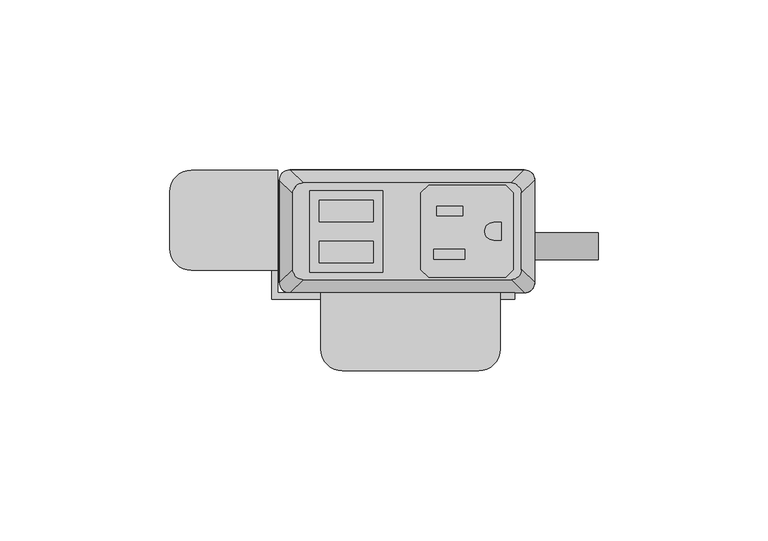
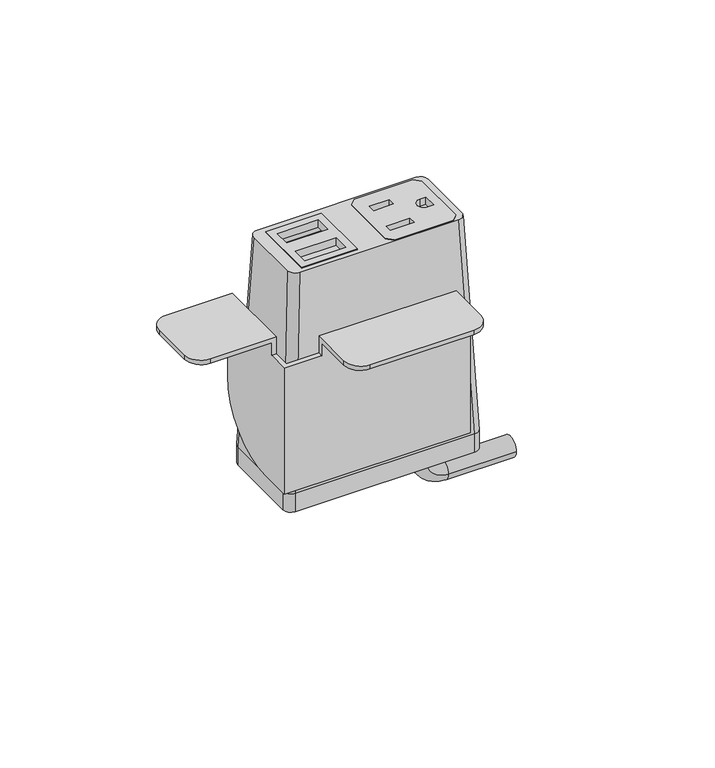
"""IFC4 building model written with IfcOpenShell, lengths in millimetres: furniture geometry."""

from ifc_helpers import new_model, si_unit, point, frame, frame_2d, origin, place, context, project, spatial, polyline, circle_curve, ellipse_curve, trimmed, segment, composite_curve, outline, extrude, source, transform, mapped, element, save
from ifc_brep_helpers import plane_surface, cylinder_surface, revolved_surface, extruded_surface, advanced_brep


def furniture_6e36357f(model_context):
    return source(origin(), model_context, "Body", "SolidModel", [
        extrude(outline(polyline([(28.9877496, 31.6867491), (31.2737497, 29.400774), (31.2737497, 6.7950272), (28.9877496, 4.5090526), (6.3817502, 4.5090526), (4.0957501, 6.7950272), (4.0957501, 29.400774), (6.3817502, 31.6867491), (28.9877496, 31.6867491)]), holes=[polyline([(16.3893498, 25.5262103), (8.71855, 25.5262103), (8.71855, 22.6814439), (16.3893498, 22.6814439), (16.3893498, 25.5262103)]), polyline([(17.0497496, 12.7755533), (7.8041498, 12.7755533), (7.8041498, 9.9307858), (17.0497496, 9.9307858), (17.0497496, 12.7755533)]), composite_curve([segment(polyline([(27.7177508, 20.7140722), (25.4427305, 20.7140722)]), True, "CONTINUOUS"), segment(trimmed(circle_curve(frame_2d((25.4427305, 18.0979012)), 2.616171), [point((25.4427305, 20.7140722))], [point((25.4427305, 15.4817301))], True, "CARTESIAN"), True, "CONTINUOUS"), segment(polyline([(25.4427305, 15.4817301), (27.7177508, 15.4817301), (27.7177508, 20.7140722)]), True, "CONTINUOUS")], self_intersect=False)]), frame((0.0, 0.0, 749.5751365), z_axis=(0.0, 0.0, 1.0), x_axis=(1.0, 0.0, 0.0)), (0.0, 0.0, 1.0), 2.9555086),
        extrude(outline(polyline([(-28.6985163, 30.0736276), (-7.143469, 30.0736276), (-7.143469, 6.0162042), (-28.6985163, 6.0162042), (-28.6985163, 30.0736276)]), holes=[polyline([(-9.9834931, 27.2024139), (-25.8584916, 27.2025547), (-25.8584916, 20.8524858), (-9.9834931, 20.8524858), (-9.9834931, 27.2024139)]), polyline([(-9.9834931, 15.1725012), (-25.8584916, 15.1726408), (-25.8584916, 8.8225725), (-9.9834931, 8.8225725), (-9.9834931, 15.1725012)])]), frame((0.0, 0.0, 749.5751365), z_axis=(0.0, 0.0, 1.0), x_axis=(1.0, 0.0, 0.0)), (0.0, 0.0, 1.0), 2.9555086),
        advanced_brep(
        [(-30.6070003, 32.3219007, 752.5174623), (-33.6549997, 29.2739013, 752.5174623), (-33.6549997, 6.9219002, 752.5174623), (-30.6070003, 3.8739008, 752.5174623), (30.6070003, 3.8739008, 752.5174623), (33.6549997, 6.9219002, 752.5174623), (33.6549997, 29.2739013, 752.5174623), (30.6070003, 32.3219007, 752.5174623), (-7.143469, 30.0736276, 752.5174623), (-7.143469, 6.0162042, 752.5174623), (-28.6985163, 6.0162042, 752.5174623), (-28.6985163, 30.0736276, 752.5174623), (4.0957501, 29.400774, 752.5174623), (6.3817502, 31.6867491, 752.5174623), (28.9877496, 31.6867491, 752.5174623), (31.2737497, 29.400774, 752.5174623), (31.2737497, 6.7950272, 752.5174623), (28.9877496, 4.5090526, 752.5174623), (6.3817502, 4.5090526, 752.5174623), (4.0957501, 6.7950272, 752.5174623), (-34.5440011, 36.1954015, 666.1706434), (34.5440011, 36.1954015, 666.1706434), (37.5920005, 33.1474021, 666.1706434), (37.5920005, 3.0484002, 666.1706434), (34.5440011, 0.0004009, 666.1706434), (-34.5440011, 0.0004009, 666.1706434), (-37.5920005, 3.0484002, 666.1706434), (-37.5920005, 33.1474021, 666.1706434), (-7.143469, 30.0736276, 745.3755211), (-28.6985163, 30.0736276, 745.3755211), (-28.6985163, 6.0162042, 745.3755211), (-7.143469, 6.0162042, 745.3755211), (4.0957501, 29.400774, 745.3755211), (4.0957501, 6.7950272, 745.3755211), (6.3817502, 4.5090526, 745.3755211), (28.9877496, 4.5090526, 745.3755211), (31.2737497, 6.7950272, 745.3755211), (31.2737497, 29.400774, 745.3755211), (28.9877496, 31.6867491, 745.3755211), (6.3817502, 31.6867491, 745.3755211)],
        [
            (0, 1, circle_curve(frame((-30.6070003, 29.2739013, 752.5174623), z_axis=(0.0, 0.0, 1.0), x_axis=(-1.0, 0.0, 0.0)), 3.0479994)),
            (1, 2),
            (2, 3, circle_curve(frame((-30.6070003, 6.9219002, 752.5174623), z_axis=(0.0, 0.0, 1.0), x_axis=(-1.0, 0.0, 0.0)), 3.0479994)),
            (3, 4),
            (4, 5, circle_curve(frame((30.6070003, 6.9219002, 752.5174623), z_axis=(0.0, 0.0, 1.0), x_axis=(-1.0, 0.0, 0.0)), 3.0479994)),
            (5, 6),
            (6, 7, circle_curve(frame((30.6070003, 29.2739013, 752.5174623), z_axis=(0.0, 0.0, 1.0), x_axis=(-1.0, 0.0, 0.0)), 3.0479994)),
            (7, 0),
            (8, 9),
            (9, 10),
            (10, 11),
            (11, 8),
            (12, 13),
            (13, 14),
            (14, 15),
            (15, 16),
            (16, 17),
            (17, 18),
            (18, 19),
            (19, 12),
            (20, 21),
            (21, 22, circle_curve(frame((34.5440011, 33.1474021, 666.1706434), z_axis=(0.0, 0.0, -1.0), x_axis=(-1.0, 0.0, 0.0)), 3.0479994)),
            (22, 23),
            (23, 24, circle_curve(frame((34.5440011, 3.0484002, 666.1706434), z_axis=(0.0, 0.0, -1.0), x_axis=(-1.0, 0.0, 0.0)), 3.0479994)),
            (24, 25),
            (25, 26, circle_curve(frame((-34.5440011, 3.0484002, 666.1706434), z_axis=(0.0, 0.0, -1.0), x_axis=(-1.0, 0.0, 0.0)), 3.0479994)),
            (26, 27),
            (27, 20, circle_curve(frame((-34.5440011, 33.1474021, 666.1706434), z_axis=(0.0, 0.0, -1.0), x_axis=(-1.0, 0.0, 0.0)), 3.0479994)),
            (0, 20),
            (27, 1),
            (26, 2),
            (25, 3),
            (24, 4),
            (23, 5),
            (22, 6),
            (21, 7),
            (28, 29),
            (29, 30),
            (30, 31),
            (31, 28),
            (32, 33),
            (33, 34),
            (34, 35),
            (35, 36),
            (36, 37),
            (37, 38),
            (38, 39),
            (39, 32),
            (31, 9),
            (8, 28),
            (30, 10),
            (29, 11),
            (39, 13),
            (12, 32),
            (38, 14),
            (37, 15),
            (36, 16),
            (35, 17),
            (34, 18),
            (33, 19),
        ],
        [
            plane_surface(frame((0.0, 18.0979007, 752.5174623), z_axis=(0.0, 0.0, 1.0), x_axis=(-1.0, 0.0, 0.0))),
            plane_surface(frame((0.0, 18.0979012, 666.1706434), z_axis=(0.0, 0.0, -1.0), x_axis=(-1.0, 0.0, 0.0))),
            extruded_surface(trimmed(circle_curve(frame((-34.5440011, 33.1474021, 666.1706434), z_axis=(0.0, 0.0, 1.0), x_axis=(-1.0, 0.0, 0.0)), 3.0479994), [point((-34.5440011, 36.1954015, 666.1706434))], [point((-37.5920005, 33.1474021, 666.1706434))], True, "CARTESIAN"), (3.9370008000000034, -3.873500800000002, 86.34681890000002), 86.52327500676452),
            plane_surface(frame((-37.5920005, 18.0979012, 666.1706434), z_axis=(-0.9989621566211194, 0.0, 0.04554788292425982), x_axis=(0.0, -1.0, 0.0))),
            extruded_surface(trimmed(circle_curve(frame((-34.5440011, 3.0484002, 666.1706434), z_axis=(0.0, 0.0, 1.0), x_axis=(-1.0, 0.0, 0.0)), 3.0479994), [point((-37.5920005, 3.0484002, 666.1706434))], [point((-34.5440011, 0.0004009, 666.1706434))], True, "CARTESIAN"), (3.9370008000000034, 3.8734999999999995, 86.34681890000002), 86.52327497094987),
            plane_surface(frame((0.0, 0.0004009, 666.1706434), z_axis=(0.0, -0.9989953158490498, 0.044814717578687276), x_axis=(1.0, 0.0, 0.0))),
            extruded_surface(trimmed(circle_curve(frame((34.5440011, 3.0484002, 666.1706434), z_axis=(0.0, 0.0, 1.0), x_axis=(-1.0, 0.0, 0.0)), 3.0479994), [point((34.5440011, 0.0004009, 666.1706434))], [point((37.5920005, 3.0484002, 666.1706434))], True, "CARTESIAN"), (-3.9370008000000034, 3.8734999999999995, 86.34681890000002), 86.52327497094987),
            plane_surface(frame((37.5920005, 18.0979012, 666.1706434), z_axis=(0.9989621566211194, 0.0, 0.04554788292425977), x_axis=(0.0, 1.0, 0.0))),
            extruded_surface(trimmed(circle_curve(frame((34.5440011, 33.1474021, 666.1706434), z_axis=(0.0, 0.0, 1.0), x_axis=(-1.0, 0.0, 0.0)), 3.0479994), [point((37.5920005, 33.1474021, 666.1706434))], [point((34.5440011, 36.1954015, 666.1706434))], True, "CARTESIAN"), (-3.9370008000000034, -3.873500800000002, 86.34681890000002), 86.52327500676452),
            plane_surface(frame((0.0, 36.1954015, 666.1706434), z_axis=(0.0, 0.9989953153818162, 0.04481472799410512), x_axis=(-1.0, 0.0, 0.0))),
            plane_surface(frame((-7.143469, 30.0736276, 745.3755211), z_axis=(0.0, 0.0, 1.0), x_axis=(0.0, -1.0, 0.0))),
            plane_surface(frame((-7.143469, 30.0736276, 745.3755211), z_axis=(-1.0, 0.0, 0.0), x_axis=(0.0, 0.0, 1.0))),
            plane_surface(frame((-7.143469, 6.0162042, 745.3755211), z_axis=(0.0, 1.0, 0.0), x_axis=(0.0, 0.0, 1.0))),
            plane_surface(frame((-28.6985163, 6.0162042, 745.3755211), z_axis=(1.0, 0.0, 0.0), x_axis=(0.0, 0.0, 1.0))),
            plane_surface(frame((-28.6985163, 30.0736276, 745.3755211), z_axis=(0.0, -1.0, 0.0), x_axis=(0.0, 0.0, 1.0))),
            plane_surface(frame((4.0957501, 29.400774, 745.3755211), z_axis=(0.7071029176939239, -0.707110644658062, 0.0), x_axis=(0.0, 0.0, 1.0))),
            plane_surface(frame((6.3817502, 31.6867491, 745.3755211), z_axis=(0.0, -1.0, 0.0), x_axis=(0.0, 0.0, 1.0))),
            plane_surface(frame((28.9877496, 31.6867491, 745.3755211), z_axis=(-0.7071029176939239, -0.707110644658062, 0.0), x_axis=(0.0, 0.0, 1.0))),
            plane_surface(frame((31.2737497, 29.400774, 745.3755211), z_axis=(-1.0, 0.0, 0.0), x_axis=(0.0, 0.0, 1.0))),
            plane_surface(frame((31.2737497, 6.7950272, 745.3755211), z_axis=(-0.7071028298865373, 0.7071107324644781, 0.0), x_axis=(0.0, 0.0, 1.0))),
            plane_surface(frame((28.9877496, 4.5090526, 745.3755211), z_axis=(0.0, 1.0, 0.0), x_axis=(0.0, 0.0, 1.0))),
            plane_surface(frame((6.3817502, 4.5090526, 745.3755211), z_axis=(0.7071028298865373, 0.7071107324644781, 0.0), x_axis=(0.0, 0.0, 1.0))),
            plane_surface(frame((4.0957501, 6.7950272, 745.3755211), z_axis=(1.0, 0.0, 0.0), x_axis=(0.0, 0.0, 1.0))),
        ],
        [
            (0, [[1, 2, 3, 4, 5, 6, 7, 8], [9, 10, 11, 12], [13, 14, 15, 16, 17, 18, 19, 20]]),
            (1, [[21, 22, 23, 24, 25, 26, 27, 28]]),
            (2, [[-1, 29, -28, 30]]),
            (3, [[-2, -30, -27, 31]]),
            (4, [[-3, -31, -26, 32]]),
            (5, [[-4, -32, -25, 33]]),
            (6, [[-5, -33, -24, 34]]),
            (7, [[-6, -34, -23, 35]]),
            (8, [[-7, -35, -22, 36]]),
            (9, [[-8, -36, -21, -29]]),
            (10, [[37, 38, 39, 40]]),
            (10, [[41, 42, 43, 44, 45, 46, 47, 48]]),
            (11, [[-40, 49, -9, 50]]),
            (12, [[-39, 51, -10, -49]]),
            (13, [[-38, 52, -11, -51]]),
            (14, [[-37, -50, -12, -52]]),
            (15, [[-48, 53, -13, 54]]),
            (16, [[-47, 55, -14, -53]]),
            (17, [[-46, 56, -15, -55]]),
            (18, [[-45, 57, -16, -56]]),
            (19, [[-44, 58, -17, -57]]),
            (20, [[-43, 59, -18, -58]]),
            (21, [[-42, 60, -19, -59]]),
            (22, [[-41, -54, -20, -60]]),
        ],
    ),
        advanced_brep(
        [(21.5715504, 17.7128311, 658.6964348), (21.5715504, 9.7137856, 658.6964348), (21.5715504, 17.7128311, 653.8666821), (21.5715504, 9.7137856, 653.8666821), (30.0384415, 9.7137856, 645.399791), (30.0384415, 17.7128311, 645.399791), (56.2588798, 17.7128311, 645.399791), (56.2588798, 9.7137856, 645.399791)],
        [
            (0, 1, circle_curve(frame((21.5715504, 13.7133083, 658.6964348), z_axis=(0.0, 0.0, 1.0), x_axis=(0.0, -1.0, 0.0)), 3.9995228)),
            (1, 0, circle_curve(frame((21.5715504, 13.7133083, 658.6964348), z_axis=(0.0, 0.0, 1.0), x_axis=(0.0, -1.0, 0.0)), 3.9995228)),
            (0, 2),
            (2, 3, circle_curve(frame((21.5715504, 13.7133083, 653.8666821), z_axis=(0.0, 0.0, 1.0), x_axis=(0.0, -1.0, 0.0)), 3.9995228)),
            (3, 1),
            (3, 2, circle_curve(frame((21.5715504, 13.7133083, 653.8666821), z_axis=(0.0, 0.0, 1.0), x_axis=(0.0, -1.0, 0.0)), 3.9995228)),
            (4, 3, circle_curve(frame((30.0384415, 9.7137856, 653.8666821), z_axis=(0.0, 1.0, 0.0), x_axis=(-1.0, 0.0, 0.0)), 8.4668911)),
            (2, 5, circle_curve(frame((30.0384415, 17.7128311, 653.8666821), z_axis=(0.0, -1.0, 0.0), x_axis=(-1.0, 0.0, 0.0)), 8.4668911)),
            (5, 4, circle_curve(frame((30.0384415, 13.7133083, 645.399791), z_axis=(-1.0, 0.0, 0.0), x_axis=(0.0, -1.0, 0.0)), 3.9995228)),
            (4, 5, circle_curve(frame((30.0384415, 13.7133083, 645.399791), z_axis=(-1.0, 0.0, 0.0), x_axis=(0.0, -1.0, 0.0)), 3.9995228)),
            (6, 7, circle_curve(frame((56.2588798, 13.7133083, 645.399791), z_axis=(1.0, 0.0, 0.0), x_axis=(0.0, -1.0, 0.0)), 3.9995228)),
            (7, 6, circle_curve(frame((56.2588798, 13.7133083, 645.399791), z_axis=(1.0, 0.0, 0.0), x_axis=(0.0, -1.0, 0.0)), 3.9995228)),
            (5, 6),
            (7, 4),
        ],
        [
            plane_surface(frame((21.5715504, 0.0, 658.6964348), z_axis=(0.0, 0.0, 1.0), x_axis=(0.0, -1.0, 0.0))),
            cylinder_surface(frame((21.5715504, 13.7133083, 658.6964348), z_axis=(0.0, 0.0, 1.0), x_axis=(0.0, -1.0, 0.0)), 3.9995228),
            revolved_surface(trimmed(ellipse_curve(frame((21.5715504, 13.7133083, 653.8666821), z_axis=(0.0, 0.0, 1.0), x_axis=(0.0, -1.0, 0.0)), 3.9995228, 3.9995228), [point((21.5715504, 17.7128311, 653.8666821))], [point((21.5715504, 9.7137856, 653.8666821))], True, "CARTESIAN"), (30.0384415, 0.0, 653.8666821), (0.0, -1.0, 0.0)),
            revolved_surface(trimmed(ellipse_curve(frame((21.5715504, 13.7133083, 653.8666821), z_axis=(0.0, 0.0, 1.0), x_axis=(0.0, -1.0, 0.0)), 3.9995228, 3.9995228), [point((21.5715504, 9.7137856, 653.8666821))], [point((21.5715504, 17.7128311, 653.8666821))], True, "CARTESIAN"), (30.0384415, 0.0, 653.8666821), (0.0, -1.0, 0.0)),
            plane_surface(frame((56.2588798, 0.0, 645.399791), z_axis=(1.0, 0.0, 0.0), x_axis=(0.0, -1.0, 0.0))),
            cylinder_surface(frame((30.0384415, 13.7133083, 645.399791), z_axis=(-1.0, 0.0, 0.0), x_axis=(0.0, -1.0, 0.0)), 3.9995228),
        ],
        [
            (0, [[1, 2]]),
            (1, [[-1, 3, 4, 5]]),
            (1, [[-2, -5, 6, -3]]),
            (2, [[7, -4, 8, 9]]),
            (3, [[-8, -6, -7, 10]]),
            (4, [[11, 12]]),
            (5, [[-9, 13, -12, 14]]),
            (5, [[-10, -14, -11, -13]]),
        ],
    ),
        extrude(outline(composite_curve([segment(trimmed(circle_curve(frame_2d((34.5440011, 33.1474021)), 3.0479994), [point((34.5440011, 36.1954015))], [point((37.5920005, 33.1474021))], False, "CARTESIAN"), True, "CONTINUOUS"), segment(polyline([(37.5920005, 33.1474021), (37.5920005, 3.0484002)]), True, "CONTINUOUS"), segment(trimmed(circle_curve(frame_2d((34.5440011, 3.0484002)), 3.0479994), [point((37.5920005, 3.0484002))], [point((34.5440011, 0.0004009))], False, "CARTESIAN"), True, "CONTINUOUS"), segment(polyline([(34.5440011, 0.0004009), (-34.5440011, 0.0004009)]), True, "CONTINUOUS"), segment(trimmed(circle_curve(frame_2d((-34.5440011, 3.0484002)), 3.0479994), [point((-34.5440011, 0.0004009))], [point((-37.5920005, 3.0484002))], False, "CARTESIAN"), True, "CONTINUOUS"), segment(polyline([(-37.5920005, 3.0484002), (-37.5920005, 33.1474021)]), True, "CONTINUOUS"), segment(trimmed(circle_curve(frame_2d((-34.5440011, 33.1474021)), 3.0479994), [point((-37.5920005, 33.1474021))], [point((-34.5440011, 36.1954015))], False, "CARTESIAN"), True, "CONTINUOUS"), segment(polyline([(-34.5440011, 36.1954015), (34.5440011, 36.1954015)]), True, "CONTINUOUS")], self_intersect=False)), frame((0.0, 0.0, 658.6964348), z_axis=(0.0, 0.0, 1.0), x_axis=(1.0, 0.0, 0.0)), (0.0, 0.0, 1.0), 7.4742086),
        advanced_brep(
        [(-63.4998651, 6.6265515, 725.3224), (-69.8498653, 12.9765517, 725.3224), (-69.8498653, 29.7151512, 725.3224), (-63.4998645, 36.0651519, 725.3224), (-39.877862, 36.0651519, 725.3224), (-39.877862, 6.6265515, 725.3224), (27.4321373, -16.6144474, 725.3224), (21.0821366, -22.9644481, 725.3224), (-19.0498626, -22.9644481, 725.3224), (-25.3998622, -16.6144485, 725.3224), (-25.3998622, -1.9078486, 725.3224), (27.4321373, -1.9078486, 725.3224), (-63.4998645, 36.0651519, 727.1004), (-69.8498653, 29.7151512, 727.1004), (-69.8498653, 12.9765517, 727.1004), (-63.4998651, 6.6265515, 727.1004), (-38.0998637, 6.6265515, 727.1004), (-38.0998637, 36.0651519, 727.1004), (-25.3998622, 0.0, 727.1004), (-25.3998622, -16.6144485, 727.1004), (-19.0498626, -22.9644481, 727.1004), (21.0821366, -22.9644481, 727.1004), (27.4321373, -16.6144474, 727.1004), (27.4321373, 0.0, 727.1004), (-38.0998637, 36.0651519, 694.0803997), (-39.877862, 36.0651519, 694.0803997), (-39.877862, 6.6265515, 720.2423997), (-38.0998637, 6.6265515, 720.2423997), (-38.0998637, 0.0, 720.2423997), (-38.0998637, 0.0, 668.6804012), (-38.0998637, 10.6651534, 668.6804012), (27.4321373, -1.9078486, 720.2423997), (27.4321373, 0.0, 720.2423997), (31.7501378, 0.0, 720.2423997), (31.7501378, 0.0, 668.6804012), (-25.3998622, 0.0, 720.2423997), (-25.3998622, -1.9078486, 720.2423997), (-39.877862, 10.6651534, 668.6804012), (-39.877862, -1.9078486, 668.6804012), (-39.877862, -1.9078486, 720.2423997), (31.7501378, -1.9078486, 668.6804012), (31.7501378, -1.9078486, 720.2423997)],
        [
            (0, 1, circle_curve(frame((-63.4998651, 12.9765517, 725.3224), z_axis=(0.0, 0.0, -1.0), x_axis=(-1.0, 0.0, 0.0)), 6.3500002)),
            (1, 2),
            (2, 3, circle_curve(frame((-63.4998645, 29.7151512, 725.3224), z_axis=(0.0, 0.0, -1.0), x_axis=(-1.0, 0.0, 0.0)), 6.3500008)),
            (3, 4),
            (4, 5),
            (5, 0),
            (6, 7, circle_curve(frame((21.0821366, -16.6144474, 725.3224), z_axis=(0.0, 0.0, -1.0), x_axis=(-1.0, 0.0, 0.0)), 6.3500008)),
            (7, 8),
            (8, 9, circle_curve(frame((-19.0498626, -16.6144485, 725.3224), z_axis=(0.0, 0.0, -1.0), x_axis=(-1.0, 0.0, 0.0)), 6.3499996)),
            (9, 10),
            (10, 11),
            (11, 6),
            (12, 13, circle_curve(frame((-63.4998645, 29.7151512, 727.1004), z_axis=(0.0, 0.0, 1.0), x_axis=(-1.0, 0.0, 0.0)), 6.3500008)),
            (13, 14),
            (14, 15, circle_curve(frame((-63.4998651, 12.9765517, 727.1004), z_axis=(0.0, 0.0, 1.0), x_axis=(-1.0, 0.0, 0.0)), 6.3500002)),
            (15, 16),
            (16, 17),
            (17, 12),
            (18, 19),
            (19, 20, circle_curve(frame((-19.0498626, -16.6144485, 727.1004), z_axis=(0.0, 0.0, 1.0), x_axis=(-1.0, 0.0, 0.0)), 6.3499996)),
            (20, 21),
            (21, 22, circle_curve(frame((21.0821366, -16.6144474, 727.1004), z_axis=(0.0, 0.0, 1.0), x_axis=(-1.0, 0.0, 0.0)), 6.3500008)),
            (22, 23),
            (23, 18),
            (3, 12),
            (17, 24),
            (24, 25),
            (25, 4),
            (2, 13),
            (1, 14),
            (0, 15),
            (5, 26),
            (26, 27),
            (27, 16),
            (27, 28),
            (28, 29),
            (29, 30),
            (30, 24, circle_curve(frame((-38.0998637, 10.6651534, 694.0803997), z_axis=(1.0, 0.0, 0.0), x_axis=(0.0, -1.0, 0.0)), 25.3999985)),
            (8, 20),
            (19, 9),
            (7, 21),
            (6, 22),
            (11, 31),
            (31, 32),
            (32, 23),
            (32, 33),
            (33, 34),
            (34, 29),
            (28, 35),
            (35, 18),
            (35, 36),
            (36, 10),
            (25, 37, circle_curve(frame((-39.877862, 10.6651534, 694.0803997), z_axis=(-1.0, 0.0, 0.0), x_axis=(0.0, -1.0, 0.0)), 25.3999985)),
            (37, 38),
            (38, 39),
            (39, 26),
            (30, 37),
            (34, 40),
            (40, 38),
            (40, 41),
            (41, 31),
            (36, 39),
            (41, 33),
        ],
        [
            plane_surface(frame((-63.4998645, 36.0651519, 725.3224), z_axis=(0.0, 0.0, -1.0), x_axis=(1.0, 0.0, 0.0))),
            plane_surface(frame((-63.4998645, 36.0651519, 727.1004), z_axis=(0.0, 0.0, 1.0), x_axis=(-1.0, 0.0, 0.0))),
            plane_surface(frame((-38.0998637, 36.0651519, 727.1004), z_axis=(0.0, 1.0, 0.0), x_axis=(0.0, 0.0, -1.0))),
            cylinder_surface(frame((-63.4998645, 29.7151512, 725.3224), z_axis=(0.0, 0.0, 1.0), x_axis=(-1.0, 0.0, 0.0)), 6.3500008),
            plane_surface(frame((-69.8498653, 29.7151512, 727.1004), z_axis=(-1.0, 0.0, 0.0), x_axis=(0.0, 0.0, -1.0))),
            cylinder_surface(frame((-63.4998651, 12.9765517, 725.3224), z_axis=(0.0, 0.0, 1.0), x_axis=(-1.0, 0.0, 0.0)), 6.3500002),
            plane_surface(frame((-63.4998651, 6.6265515, 727.1004), z_axis=(0.0, -1.0, 0.0), x_axis=(0.0, 0.0, -1.0))),
            plane_surface(frame((-38.0998637, 6.6265515, 727.1004), z_axis=(1.0, 0.0, 0.0), x_axis=(0.0, 0.0, -1.0))),
            cylinder_surface(frame((-19.0498626, -16.6144485, 727.1004), z_axis=(0.0, 0.0, 1.0), x_axis=(-1.0, 0.0, 0.0)), 6.3499996),
            plane_surface(frame((-19.0498626, -22.9644481, 727.1004), z_axis=(0.0, -1.0, 0.0), x_axis=(0.0, 0.0, -1.0))),
            cylinder_surface(frame((21.0821366, -16.6144474, 727.1004), z_axis=(0.0, 0.0, 1.0), x_axis=(-1.0, 0.0, 0.0)), 6.3500008),
            plane_surface(frame((27.4321373, -16.6144474, 727.1004), z_axis=(1.0, 0.0, 0.0), x_axis=(0.0, 0.0, -1.0))),
            plane_surface(frame((27.4321373, 0.0, 727.1004), z_axis=(0.0, 1.0, 0.0), x_axis=(0.0, 0.0, -1.0))),
            plane_surface(frame((-25.3998622, 0.0, 727.1004), z_axis=(-1.0, 0.0, 0.0), x_axis=(0.0, 0.0, -1.0))),
            plane_surface(frame((-39.877862, 36.0651519, 694.0803997), z_axis=(-1.0, 0.0, 0.0), x_axis=(0.0, 0.0, -1.0))),
            cylinder_surface(frame((-38.0998637, 10.6651534, 694.0803997), z_axis=(-1.0, 0.0, 0.0), x_axis=(0.0, -1.0, 0.0)), 25.3999985),
            plane_surface(frame((-39.877862, 10.6651534, 668.6804012), z_axis=(0.0, 0.0, -1.0), x_axis=(1.0, 0.0, 0.0))),
            plane_surface(frame((-39.877862, -1.9078486, 668.6804012), z_axis=(0.0, -1.0, 0.0), x_axis=(1.0, 0.0, 0.0))),
            plane_surface(frame((-39.877862, -1.9078486, 720.2423997), z_axis=(0.0, 0.0, 1.0), x_axis=(1.0, 0.0, 0.0))),
            plane_surface(frame((31.7501378, -1.9078486, 720.2423997), z_axis=(0.0, 0.0, 1.0), x_axis=(0.0, 1.0, 0.0))),
            plane_surface(frame((31.7501378, -1.9078486, 668.6804012), z_axis=(1.0, 0.0, 0.0), x_axis=(0.0, 1.0, 0.0))),
        ],
        [
            (0, [[1, 2, 3, 4, 5, 6]]),
            (0, [[7, 8, 9, 10, 11, 12]]),
            (1, [[13, 14, 15, 16, 17, 18]]),
            (1, [[19, 20, 21, 22, 23, 24]]),
            (2, [[25, -18, 26, 27, 28, -4]]),
            (3, [[-3, 29, -13, -25]]),
            (4, [[-2, 30, -14, -29]]),
            (5, [[-1, 31, -15, -30]]),
            (6, [[-31, -6, 32, 33, 34, -16]]),
            (7, [[-17, -34, 35, 36, 37, 38, -26]]),
            (8, [[-9, 39, -20, 40]]),
            (9, [[-8, 41, -21, -39]]),
            (10, [[-7, 42, -22, -41]]),
            (11, [[-42, -12, 43, 44, 45, -23]]),
            (12, [[-24, -45, 46, 47, 48, -36, 49, 50]]),
            (13, [[-40, -19, -50, 51, 52, -10]]),
            (14, [[53, 54, 55, 56, -32, -5, -28]]),
            (15, [[-53, -27, -38, 57]]),
            (16, [[-57, -37, -48, 58, 59, -54]]),
            (17, [[-55, -59, 60, 61, -43, -11, -52, 62]]),
            (18, [[-62, -51, -49, -35, -33, -56]]),
            (19, [[-61, 63, -46, -44]]),
            (20, [[-60, -58, -47, -63]]),
        ],
    ),
    ])


if __name__ == "__main__":
    model = new_model("IFC4")
    model_context = context("Model", 3, world=origin())
    ifc_project = project(units=[si_unit("LENGTHUNIT", "METRE", prefix="MILLI")], contexts=[model_context])
    site = spatial("IfcSite", under=ifc_project)
    building = spatial("IfcBuilding", under=site)
    placement = place(None, origin())
    furniture_shape = furniture_6e36357f(model_context)
    element("IfcFurniture", 1, at=placement, inside=building, context=model_context, shape_type="MappedRepresentation", body=[
        mapped(furniture_shape, transform((0.0, 0.0, 0.0), x_axis=(1.0, 0.0, 0.0), y_axis=(0.0, 1.0, 0.0), z_axis=(0.0, 0.0, 1.0))),
    ])
    save(model, "model.ifc")
